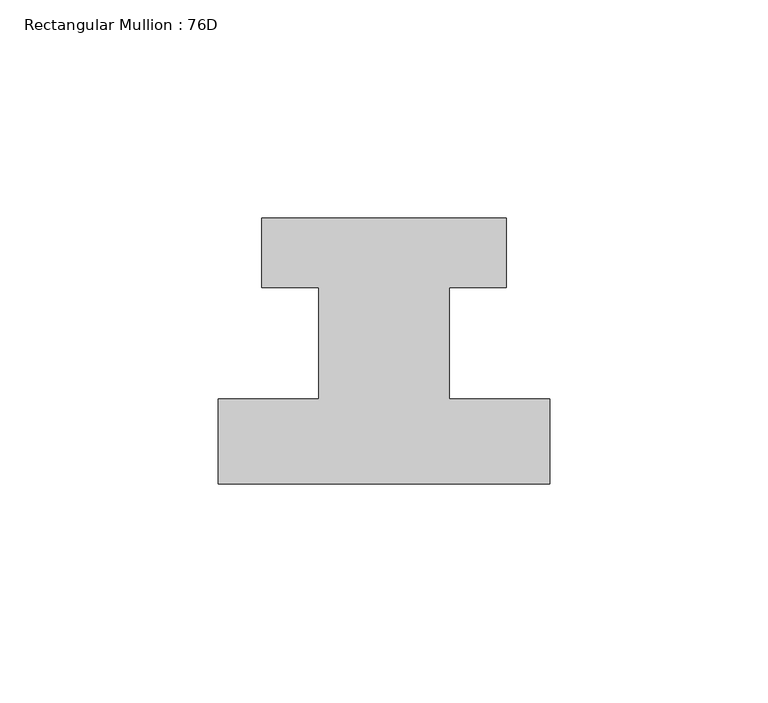
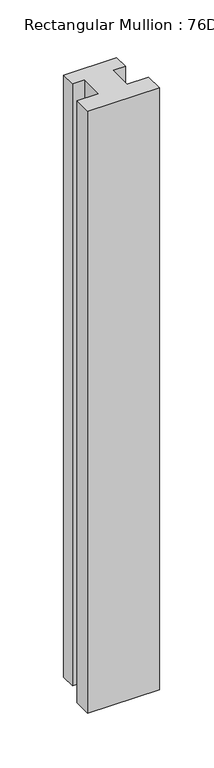
"""IFC4 building model written with IfcOpenShell, lengths in millimetres: member geometry, Rectangular Mullion : 76D."""

from ifc_helpers import new_model, si_unit, frame, origin, place, context, project, spatial, polyline, outline, extrude, source, transform, mapped, element, save


def rectangular_mullion_76d_9a7ad7ed(model_context):
    return source(origin(), model_context, "Body", "SweptSolid", [
        extrude(outline(polyline([(38.0, -20.0), (-38.0, -20.0), (-38.0, -0.5), (-15.0, -0.5), (-15.0, 25.0), (-28.0, 25.0), (-28.0, 41.0), (28.0, 41.0), (28.0, 25.0), (15.0, 25.0), (15.0, -0.5), (38.0, -0.5), (38.0, -20.0)])), frame((0.0, 0.0, -674.0), z_axis=(0.0, 0.0, 1.0), x_axis=(1.0, 0.0, 0.0)), (0.0, 0.0, 1.0), 674.0),
    ])


if __name__ == "__main__":
    model = new_model("IFC4")
    model_context = context("Model", 3, world=origin())
    ifc_project = project(units=[si_unit("LENGTHUNIT", "METRE", prefix="MILLI")], contexts=[model_context])
    site = spatial("IfcSite", under=ifc_project)
    building = spatial("IfcBuilding", under=site)
    placement = place(None, origin())
    rectangular_mullion_76d_shape = rectangular_mullion_76d_9a7ad7ed(model_context)
    element("IfcMember", 1, ObjectType="Rectangular Mullion : 76D", at=placement, inside=building, context=model_context, shape_type="MappedRepresentation", body=[
        mapped(rectangular_mullion_76d_shape, transform((0.0, 0.0, 0.0), x_axis=(1.0, 0.0, 0.0), y_axis=(0.0, 1.0, 0.0), z_axis=(0.0, 0.0, 1.0))),
    ])
    save(model, "model.ifc")
